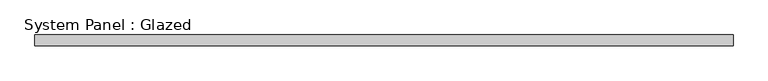
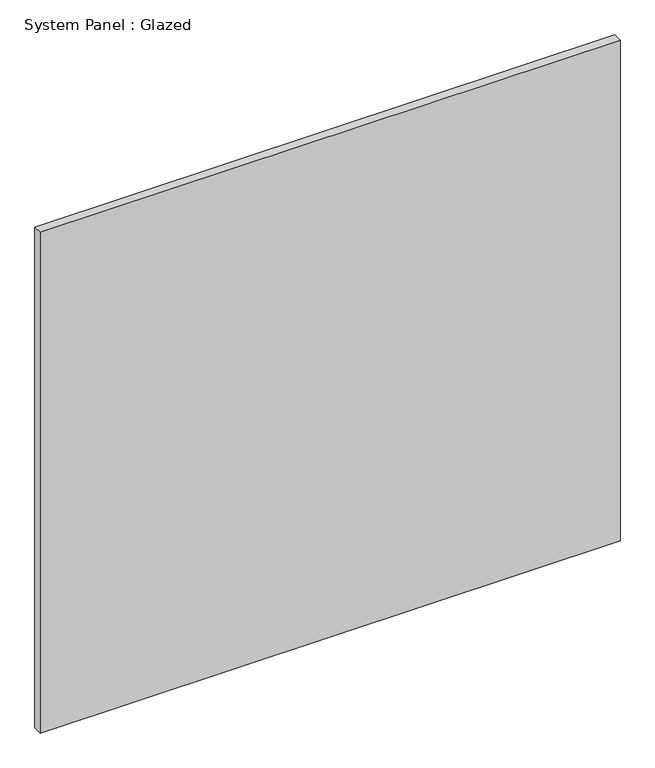
"""IFC4 building model written with IfcOpenShell, lengths in millimetres: plate geometry, System Panel : Glazed."""

from ifc_helpers import new_model, si_unit, origin, origin_with_axes, place, context, project, spatial, polyline, outline, extrude, source, transform, mapped, element, save


def system_panel_glazed_be65f2d5(model_context):
    return source(origin(), model_context, "Body", "SweptSolid", [
        extrude(outline(polyline([(810.7635919, -12.7), (-810.7635919, -12.7), (-810.7635919, 12.7), (810.7635919, 12.7), (810.7635919, -12.7)])), origin_with_axes(), (0.0, 0.0, 1.0), 1479.05),
    ])


if __name__ == "__main__":
    model = new_model("IFC4")
    model_context = context("Model", 3, world=origin())
    ifc_project = project(units=[si_unit("LENGTHUNIT", "METRE", prefix="MILLI")], contexts=[model_context])
    site = spatial("IfcSite", under=ifc_project)
    building = spatial("IfcBuilding", under=site)
    placement = place(None, origin())
    system_panel_glazed_shape = system_panel_glazed_be65f2d5(model_context)
    element("IfcPlate", 1, ObjectType="System Panel : Glazed", at=placement, inside=building, context=model_context, shape_type="MappedRepresentation", body=[
        mapped(system_panel_glazed_shape, transform((0.0, 0.0, 0.0), x_axis=(1.0, 0.0, 0.0), y_axis=(0.0, 1.0, 0.0), z_axis=(0.0, 0.0, 1.0))),
    ])
    save(model, "model.ifc")
